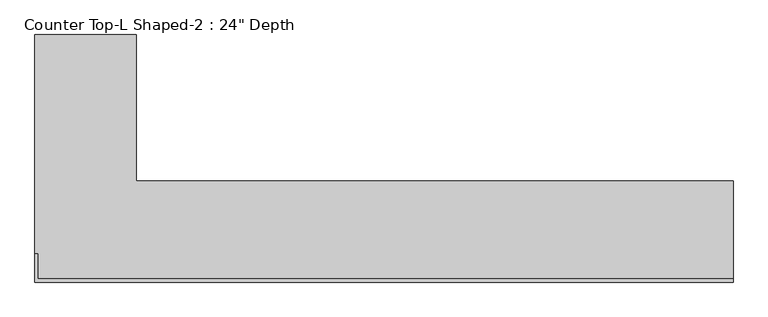
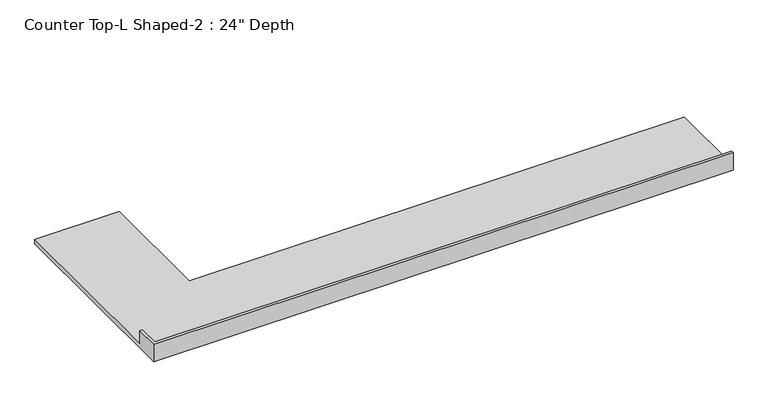
"""IFC4 building model written with IfcOpenShell, lengths in millimetres: furniture geometry."""

from ifc_helpers import new_model, si_unit, origin, place, context, project, spatial, faceted_brep, source, transform, mapped, element, save


def furniture_7b33d7fd(model_context):
    return source(origin(), model_context, "Body", "Brep", [
        faceted_brep([(-1200.4622951, 1549.4, 863.6), (-1200.4622951, 177.7008016, 863.6), (-1181.4122951, 177.7008016, 863.6), (-1181.4122951, 19.05, 863.6), (3168.3377049, 19.05, 863.6), (3168.3377049, 635.0, 863.6), (-565.4622951, 635.0, 863.6), (-565.4622951, 1549.4, 863.6), (3168.3377049, 0.0, 825.5), (-1200.4622951, 0.0, 825.5), (-1200.4622951, 1549.4, 825.5), (-565.4622951, 1549.4, 825.5), (-565.4622951, 635.0, 825.5), (3168.3377049, 635.0, 825.5), (3168.3377049, 0.0, 965.2), (-1200.4622951, 0.0, 965.2), (-1200.4622951, 177.7008016, 965.2), (3168.3377049, 19.05, 965.2), (-1181.4122951, 19.05, 965.2), (-1181.4122951, 177.7008016, 965.2)], [[[0, 1, 2, 3, 4, 5, 6, 7]], [[8, 9, 10, 11, 12, 13]], [[8, 14, 15, 9]], [[9, 15, 16, 1, 0, 10]], [[7, 11, 10, 0]], [[6, 12, 11, 7]], [[5, 13, 12, 6]], [[13, 5, 4, 17, 14, 8]], [[15, 14, 17, 18, 19, 16]], [[4, 3, 18, 17]], [[19, 2, 1, 16]], [[18, 3, 2, 19]]]),
    ])


if __name__ == "__main__":
    model = new_model("IFC4")
    model_context = context("Model", 3, world=origin())
    ifc_project = project(units=[si_unit("LENGTHUNIT", "METRE", prefix="MILLI")], contexts=[model_context])
    site = spatial("IfcSite", under=ifc_project)
    building = spatial("IfcBuilding", under=site)
    placement = place(None, origin())
    furniture_shape = furniture_7b33d7fd(model_context)
    element("IfcFurniture", 1, ObjectType="Counter Top-L Shaped-2 : 24\" Depth", at=placement, inside=building, context=model_context, shape_type="MappedRepresentation", body=[
        mapped(furniture_shape, transform((0.0, 0.0, 0.0), x_axis=(1.0, 0.0, 0.0), y_axis=(0.0, 1.0, 0.0), z_axis=(0.0, 0.0, 1.0))),
    ])
    save(model, "model.ifc")
